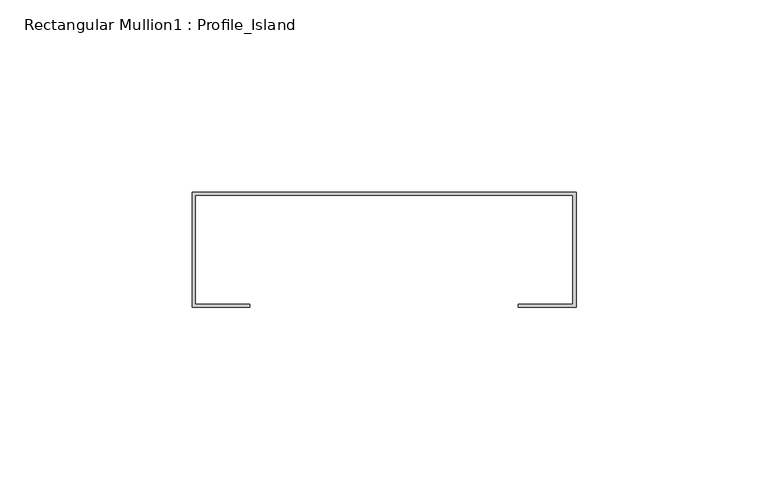
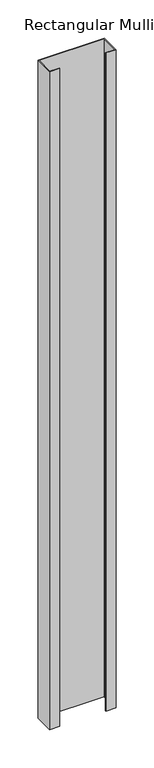
"""IFC4 building model written with IfcOpenShell, lengths in millimetres: member geometry, Rectangular Mullion1 : Profile_Island."""

from ifc_helpers import new_model, si_unit, frame, origin, place, context, project, spatial, polyline, outline, extrude, source, transform, mapped, element, save


def rectangular_mullion1_profile_island_e861afc1(model_context):
    return source(origin(), model_context, "Body", "SweptSolid", [
        extrude(outline(polyline([(0.0, 32.0), (0.0, 2.0), (-15.0, 2.0), (-15.0, 2.8), (-0.8, 2.8), (-0.8, 31.2), (-99.2, 31.2), (-99.2, 2.8), (-85.0, 2.8), (-85.0, 2.0), (-100.0, 2.0), (-100.0, 32.0), (0.0, 32.0)])), frame((0.0, 0.0, -1049.499983), z_axis=(0.0, 0.0, 1.0), x_axis=(1.0, 0.0, 0.0)), (0.0, 0.0, 1.0), 1049.499983),
    ])


if __name__ == "__main__":
    model = new_model("IFC4")
    model_context = context("Model", 3, world=origin())
    ifc_project = project(units=[si_unit("LENGTHUNIT", "METRE", prefix="MILLI")], contexts=[model_context])
    site = spatial("IfcSite", under=ifc_project)
    building = spatial("IfcBuilding", under=site)
    placement = place(None, origin())
    rectangular_mullion1_profile_island_shape = rectangular_mullion1_profile_island_e861afc1(model_context)
    element("IfcMember", 1, ObjectType="Rectangular Mullion1 : Profile_Island", at=placement, inside=building, context=model_context, shape_type="MappedRepresentation", body=[
        mapped(rectangular_mullion1_profile_island_shape, transform((0.0, 0.0, 0.0), x_axis=(1.0, 0.0, 0.0), y_axis=(0.0, 1.0, 0.0), z_axis=(0.0, 0.0, 1.0))),
    ])
    save(model, "model.ifc")
